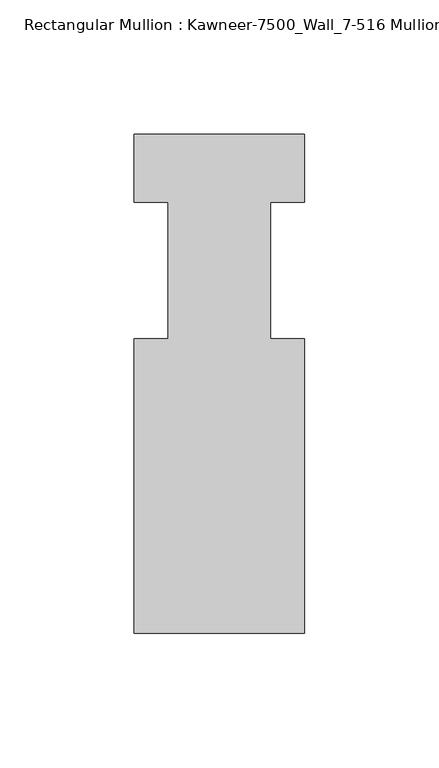
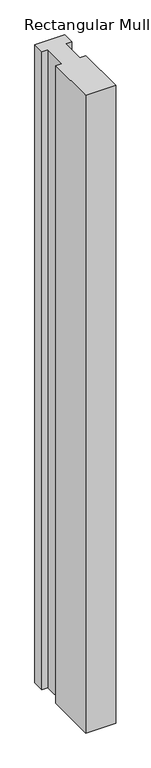
"""IFC4 building model written with IfcOpenShell, lengths in millimetres: member geometry, Rectangular Mullion : Kawneer-7500_Wall_7-516 Mullion_Horizontal."""

from ifc_helpers import new_model, si_unit, frame, origin, place, context, project, spatial, polyline, outline, extrude, source, transform, mapped, element, save


def rectangular_mullion_kawneer_7500_wall_7_516_mullion_9a445233(model_context):
    return source(origin(), model_context, "Body", "SweptSolid", [
        extrude(outline(polyline([(36.0844027, -134.9375), (-27.4155973, -134.9375), (-27.4155973, -25.4), (-14.7155973, -25.4), (-14.7155973, 25.4), (-27.4155973, 25.4), (-27.4155973, 50.8), (36.0844027, 50.8), (36.0844027, 25.4), (23.3826322, 25.4), (23.3826322, -25.4), (36.0844027, -25.4), (36.0844027, -134.9375)])), frame((0.0, 0.0, -1424.4155973), z_axis=(0.0, 0.0, 1.0), x_axis=(1.0, 0.0, 0.0)), (0.0, 0.0, 1.0), 1424.4155973),
    ])


if __name__ == "__main__":
    model = new_model("IFC4")
    model_context = context("Model", 3, world=origin())
    ifc_project = project(units=[si_unit("LENGTHUNIT", "METRE", prefix="MILLI")], contexts=[model_context])
    site = spatial("IfcSite", under=ifc_project)
    building = spatial("IfcBuilding", under=site)
    placement = place(None, origin())
    rectangular_mullion_kawneer_7500_wall_7_516_mullion_shape = rectangular_mullion_kawneer_7500_wall_7_516_mullion_9a445233(model_context)
    element("IfcMember", 1, ObjectType="Rectangular Mullion : Kawneer-7500_Wall_7-516 Mullion_Horizontal", at=placement, inside=building, context=model_context, shape_type="MappedRepresentation", body=[
        mapped(rectangular_mullion_kawneer_7500_wall_7_516_mullion_shape, transform((0.0, 0.0, 0.0), x_axis=(1.0, 0.0, 0.0), y_axis=(0.0, 1.0, 0.0), z_axis=(0.0, 0.0, 1.0))),
    ])
    save(model, "model.ifc")
